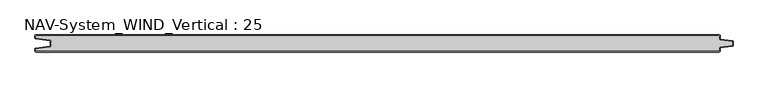
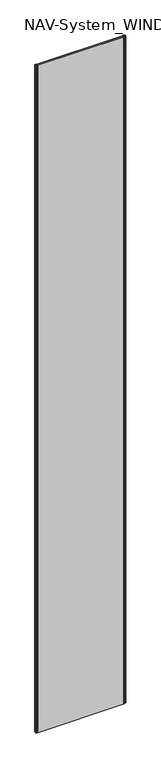
"""IFC4 building model written with IfcOpenShell, lengths in millimetres: plate geometry, NAV-System_WIND_Vertical : 25."""

from ifc_helpers import new_model, si_unit, point, frame_2d, origin, origin_with_axes, place, context, project, spatial, polyline, circle_curve, trimmed, segment, composite_curve, outline, extrude, source, transform, mapped, element, save


def nav_system_wind_vertical_25_312fd848(model_context):
    return source(origin(), model_context, "Body", "SweptSolid", [
        extrude(outline(composite_curve([segment(polyline([(519.0, -13.2932637), (519.0, -15.1932637)]), True, "CONTINUOUS"), segment(trimmed(circle_curve(frame_2d((517.7, -15.1932637)), 1.3), [point((519.0, -15.1932637))], [point((517.8810287, -16.4805976))], False, "CARTESIAN"), True, "CONTINUOUS"), segment(polyline([(517.8810287, -16.4805976), (500.602523, -18.9103519)]), True, "CONTINUOUS"), segment(trimmed(circle_curve(frame_2d((500.7, -19.6035317)), 0.7), [point((500.602523, -18.9103519))], [point((500.0, -19.6035317))], True, "CARTESIAN"), True, "CONTINUOUS"), segment(polyline([(500.0, -19.6035317), (500.0, -23.7)]), True, "CONTINUOUS"), segment(trimmed(circle_curve(frame_2d((498.7, -23.7)), 1.3), [point((500.0, -23.7))], [point((498.7, -25.0))], False, "CARTESIAN"), True, "CONTINUOUS"), segment(polyline([(498.7, -25.0), (-498.7, -25.0)]), True, "CONTINUOUS"), segment(trimmed(circle_curve(frame_2d((-498.7, -23.7)), 1.3), [point((-498.7, -25.0))], [point((-500.0, -23.7))], False, "CARTESIAN"), True, "CONTINUOUS"), segment(polyline([(-500.0, -23.7), (-500.0, -20.6299809)]), True, "CONTINUOUS"), segment(trimmed(circle_curve(frame_2d((-498.7, -20.6299809)), 1.3), [point((-500.0, -20.6299809))], [point((-498.8810287, -19.342647))], False, "CARTESIAN"), True, "CONTINUOUS"), segment(polyline([(-498.8810287, -19.342647), (-478.102523, -16.4207123)]), True, "CONTINUOUS"), segment(trimmed(circle_curve(frame_2d((-478.2, -15.7275325)), 0.7), [point((-478.102523, -16.4207123))], [point((-477.5, -15.7275325))], True, "CARTESIAN"), True, "CONTINUOUS"), segment(polyline([(-477.5, -15.7275325), (-477.5, -13.3275325), (-476.7, -13.3275325), (-476.7, -15.7275325)]), True, "CONTINUOUS"), segment(trimmed(circle_curve(frame_2d((-478.2, -15.7275325)), 1.5), [point((-476.7, -15.7275325))], [point((-477.9911207, -17.2129178))], False, "CARTESIAN"), True, "CONTINUOUS"), segment(polyline([(-477.9911207, -17.2129178), (-499.2, -20.1953728), (-499.2, -23.7)]), True, "CONTINUOUS"), segment(trimmed(circle_curve(frame_2d((-498.7, -23.7)), 0.5), [point((-499.2, -23.7))], [point((-498.7, -24.2))], True, "CARTESIAN"), True, "CONTINUOUS"), segment(polyline([(-498.7, -24.2), (498.7, -24.2)]), True, "CONTINUOUS"), segment(trimmed(circle_curve(frame_2d((498.7, -23.7)), 0.5), [point((498.7, -24.2))], [point((499.2, -23.7))], True, "CARTESIAN"), True, "CONTINUOUS"), segment(polyline([(499.2, -23.7), (499.2, -19.6035317)]), True, "CONTINUOUS"), segment(trimmed(circle_curve(frame_2d((500.7, -19.6035317)), 1.5), [point((499.2, -19.6035317))], [point((500.4911207, -18.1181464))], False, "CARTESIAN"), True, "CONTINUOUS"), segment(polyline([(500.4911207, -18.1181464), (518.2, -15.6278717), (518.2, -13.2932637), (519.0, -13.2932637)]), True, "CONTINUOUS")], self_intersect=False)), origin_with_axes(), (0.0, 0.0, 1.0), 8000.0),
        extrude(outline(composite_curve([segment(polyline([(519.0, -11.7067363), (518.2, -11.7067363), (518.2, -9.3721283), (500.4911207, -6.8818536)]), True, "CONTINUOUS"), segment(trimmed(circle_curve(frame_2d((500.7, -5.3964683)), 1.5), [point((500.4911207, -6.8818536))], [point((499.2, -5.3964683))], False, "CARTESIAN"), True, "CONTINUOUS"), segment(polyline([(499.2, -5.3964683), (499.2, -1.3)]), True, "CONTINUOUS"), segment(trimmed(circle_curve(frame_2d((498.7, -1.3)), 0.5), [point((499.2, -1.3))], [point((498.7, -0.8))], True, "CARTESIAN"), True, "CONTINUOUS"), segment(polyline([(498.7, -0.8), (-498.7, -0.8)]), True, "CONTINUOUS"), segment(trimmed(circle_curve(frame_2d((-498.7, -1.3)), 0.5), [point((-498.7, -0.8))], [point((-499.2, -1.3))], True, "CARTESIAN"), True, "CONTINUOUS"), segment(polyline([(-499.2, -1.3), (-499.2, -4.8046272), (-477.9911207, -7.7870822)]), True, "CONTINUOUS"), segment(trimmed(circle_curve(frame_2d((-478.2, -9.2724675)), 1.5), [point((-477.9911207, -7.7870822))], [point((-476.7, -9.2724675))], False, "CARTESIAN"), True, "CONTINUOUS"), segment(polyline([(-476.7, -9.2724675), (-476.7, -11.6724675), (-477.5, -11.6724675), (-477.5, -9.2724675)]), True, "CONTINUOUS"), segment(trimmed(circle_curve(frame_2d((-478.2, -9.2724675)), 0.7), [point((-477.5, -9.2724675))], [point((-478.102523, -8.5792877))], True, "CARTESIAN"), True, "CONTINUOUS"), segment(polyline([(-478.102523, -8.5792877), (-498.8810287, -5.657353)]), True, "CONTINUOUS"), segment(trimmed(circle_curve(frame_2d((-498.7, -4.3700191)), 1.3), [point((-498.8810287, -5.657353))], [point((-500.0, -4.3700191))], False, "CARTESIAN"), True, "CONTINUOUS"), segment(polyline([(-500.0, -4.3700191), (-500.0, -1.3)]), True, "CONTINUOUS"), segment(trimmed(circle_curve(frame_2d((-498.7, -1.3)), 1.3), [point((-500.0, -1.3))], [point((-498.7, 0.0))], False, "CARTESIAN"), True, "CONTINUOUS"), segment(polyline([(-498.7, 0.0), (498.7, 0.0)]), True, "CONTINUOUS"), segment(trimmed(circle_curve(frame_2d((498.7, -1.3)), 1.3), [point((498.7, 0.0))], [point((500.0, -1.3))], False, "CARTESIAN"), True, "CONTINUOUS"), segment(polyline([(500.0, -1.3), (500.0, -5.3964683)]), True, "CONTINUOUS"), segment(trimmed(circle_curve(frame_2d((500.7, -5.3964683)), 0.7), [point((500.0, -5.3964683))], [point((500.602523, -6.0896481))], True, "CARTESIAN"), True, "CONTINUOUS"), segment(polyline([(500.602523, -6.0896481), (517.8810287, -8.5194024)]), True, "CONTINUOUS"), segment(trimmed(circle_curve(frame_2d((517.7, -9.8067363)), 1.3), [point((517.8810287, -8.5194024))], [point((519.0, -9.8067363))], False, "CARTESIAN"), True, "CONTINUOUS"), segment(polyline([(519.0, -9.8067363), (519.0, -11.7067363)]), True, "CONTINUOUS")], self_intersect=False)), origin_with_axes(), (0.0, 0.0, 1.0), 8000.0),
        extrude(outline(composite_curve([segment(polyline([(500.4911207, -6.8818536), (518.2, -9.3721283), (518.2, -11.6767555), (519.0, -11.6767555), (519.0, -13.2767555), (518.2, -13.2767555), (518.2, -15.6278717), (500.4911207, -18.1181464)]), True, "CONTINUOUS"), segment(trimmed(circle_curve(frame_2d((500.7, -19.6035317)), 1.5), [point((500.4911207, -18.1181464))], [point((499.2, -19.6035317))], True, "CARTESIAN"), True, "CONTINUOUS"), segment(polyline([(499.2, -19.6035317), (499.2, -23.7)]), True, "CONTINUOUS"), segment(trimmed(circle_curve(frame_2d((498.7, -23.7)), 0.5), [point((499.2, -23.7))], [point((498.7, -24.2))], False, "CARTESIAN"), True, "CONTINUOUS"), segment(polyline([(498.7, -24.2), (-498.7, -24.2)]), True, "CONTINUOUS"), segment(trimmed(circle_curve(frame_2d((-498.7, -23.7)), 0.5), [point((-498.7, -24.2))], [point((-499.2, -23.7))], False, "CARTESIAN"), True, "CONTINUOUS"), segment(polyline([(-499.2, -23.7), (-499.2, -20.1953728), (-477.9911207, -17.2129178)]), True, "CONTINUOUS"), segment(trimmed(circle_curve(frame_2d((-478.2, -15.7275325)), 1.5), [point((-477.9911207, -17.2129178))], [point((-476.7, -15.7275325))], True, "CARTESIAN"), True, "CONTINUOUS"), segment(polyline([(-476.7, -15.7275325), (-476.7, -13.2767555), (-477.5, -13.2767555), (-477.5, -11.6767555), (-476.7, -11.6767555), (-476.7, -9.2724675)]), True, "CONTINUOUS"), segment(trimmed(circle_curve(frame_2d((-478.2, -9.2724675)), 1.5), [point((-476.7, -9.2724675))], [point((-477.9911207, -7.7870822))], True, "CARTESIAN"), True, "CONTINUOUS"), segment(polyline([(-477.9911207, -7.7870822), (-499.2, -4.8046272), (-499.2, -1.3)]), True, "CONTINUOUS"), segment(trimmed(circle_curve(frame_2d((-498.7, -1.3)), 0.5), [point((-499.2, -1.3))], [point((-498.7, -0.8))], False, "CARTESIAN"), True, "CONTINUOUS"), segment(polyline([(-498.7, -0.8), (498.7, -0.8)]), True, "CONTINUOUS"), segment(trimmed(circle_curve(frame_2d((498.7, -1.3)), 0.5), [point((498.7, -0.8))], [point((499.2, -1.3))], False, "CARTESIAN"), True, "CONTINUOUS"), segment(polyline([(499.2, -1.3), (499.2, -5.3964683)]), True, "CONTINUOUS"), segment(trimmed(circle_curve(frame_2d((500.7, -5.3964683)), 1.5), [point((499.2, -5.3964683))], [point((500.4911207, -6.8818536))], True, "CARTESIAN"), True, "CONTINUOUS")], self_intersect=False)), origin_with_axes(), (0.0, 0.0, 1.0), 8000.0),
    ])


if __name__ == "__main__":
    model = new_model("IFC4")
    model_context = context("Model", 3, world=origin())
    ifc_project = project(units=[si_unit("LENGTHUNIT", "METRE", prefix="MILLI")], contexts=[model_context])
    site = spatial("IfcSite", under=ifc_project)
    building = spatial("IfcBuilding", under=site)
    placement = place(None, origin())
    nav_system_wind_vertical_25_shape = nav_system_wind_vertical_25_312fd848(model_context)
    element("IfcPlate", 1, ObjectType="NAV-System_WIND_Vertical : 25", at=placement, inside=building, context=model_context, shape_type="MappedRepresentation", body=[
        mapped(nav_system_wind_vertical_25_shape, transform((0.0, 0.0, 0.0), x_axis=(1.0, 0.0, 0.0), y_axis=(0.0, 1.0, 0.0), z_axis=(0.0, 0.0, 1.0))),
    ])
    save(model, "model.ifc")
